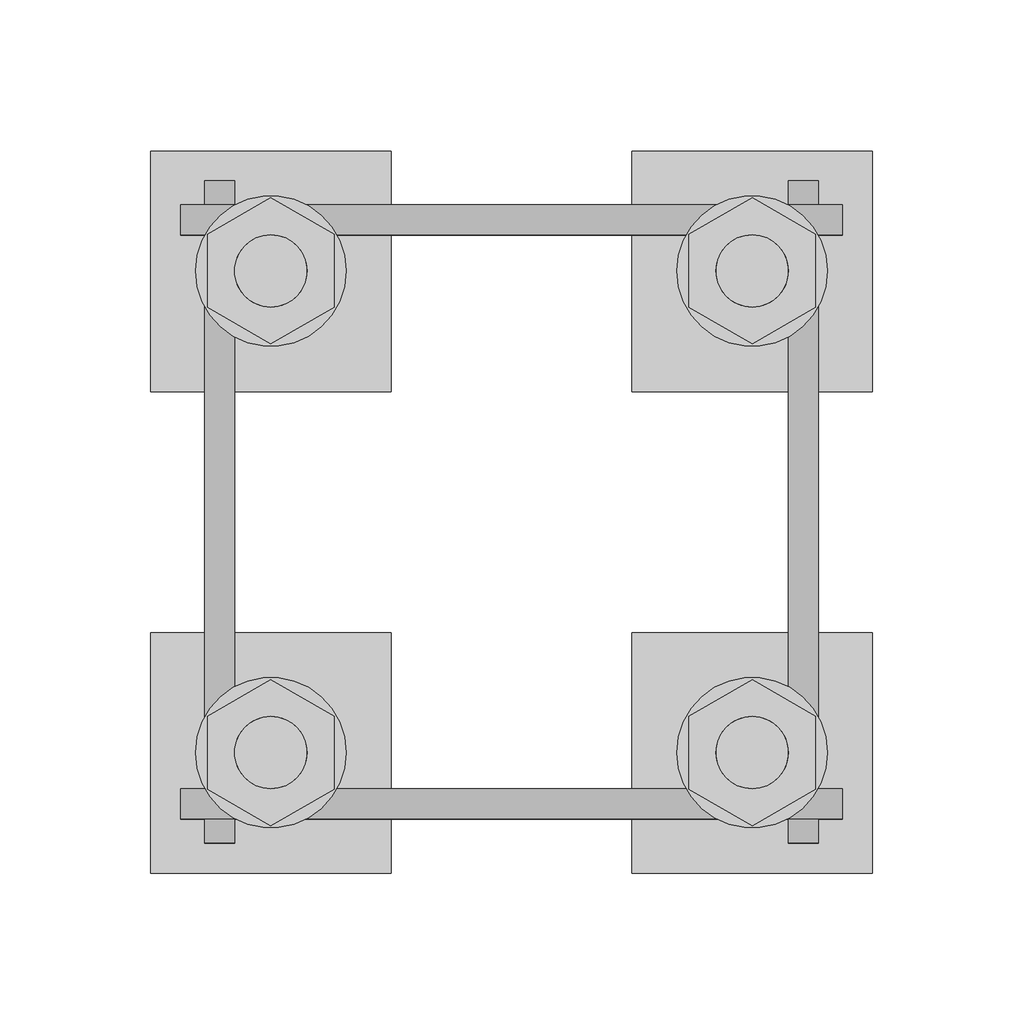
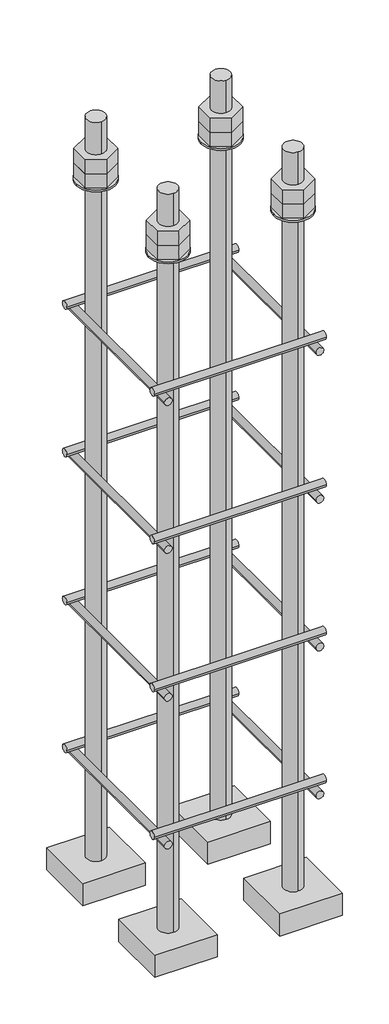
# One storey, part 3 of 66: 1 fastener.
"""IFC4 building model written with IfcOpenShell, lengths in millimetres."""

import ifcopenshell
import ifcopenshell.guid

model = None  # the IFC model being written
_history = None  # IfcOwnerHistory: only IFC2X3 demands one
_inside = {}  # id of a spatial element -> (the spatial element, [elements in it])
_under = {}  # id of a project, library or spatial element -> (it, [spatial elements below it])
_declared = {}  # id of a project -> (the project, [libraries it declares])
_typed = {}  # id of a type object -> (the type object, [elements of that type])
_made_of = {}  # id of a material, layer set ... -> (it, [elements and type objects made of it])


def new_model(schema):
    """Start an empty IFC model of exactly this schema.

    Asked for "IFC4X3", IfcOpenShell would pick the latest addendum, in which some entities
    have other attributes; the version numbers below select the first issue.
    IFC2X3 requires an IfcOwnerHistory on every rooted entity: one is made here for all.
    """
    global model, _history
    if schema == "IFC4X3":
        model = ifcopenshell.file(schema_version=(4, 3, 0, 0))
    else:
        model = ifcopenshell.file(schema=schema)
    _inside.clear()
    _under.clear()
    _declared.clear()
    _typed.clear()
    _made_of.clear()
    _history = None
    if model.schema == "IFC2X3":
        org = make("IfcOrganization", Name="unknown")
        user = make(
            "IfcPersonAndOrganization",
            ThePerson=make("IfcPerson", FamilyName="unknown"),
            TheOrganization=org,
        )
        app = make(
            "IfcApplication",
            ApplicationDeveloper=org,
            Version="unknown",
            ApplicationFullName="unknown",
            ApplicationIdentifier="unknown",
        )
        _history = make(
            "IfcOwnerHistory",
            OwningUser=user,
            OwningApplication=app,
            ChangeAction="ADDED",
            CreationDate=0,
        )
    return model


def make(cls, **values):
    """One entity of the class cls with the attributes given. An attribute that is None is left unset."""
    return model.create_entity(
        cls, **{name: value for name, value in values.items() if value is not None}
    )


def rooted(cls, **values):
    """An entity with a GlobalId (a new one), such as an element, a storey or a relation."""
    return make(cls, GlobalId=ifcopenshell.guid.new(), OwnerHistory=_history, **values)


def si_unit(unit_type, name, prefix=None):
    """IfcSIUnit, for example si_unit("LENGTHUNIT", "METRE", prefix="MILLI")."""
    return make("IfcSIUnit", UnitType=unit_type, Prefix=prefix, Name=name)


def assignment(units):
    """IfcUnitAssignment: the units of a project."""
    return None if units is None else make("IfcUnitAssignment", Units=units)


def point(xyz):
    """IfcCartesianPoint."""
    return None if xyz is None else make("IfcCartesianPoint", Coordinates=xyz)


def direction(xyz):
    """IfcDirection."""
    return None if xyz is None else make("IfcDirection", DirectionRatios=xyz)


def frame(location, z_axis=None, x_axis=None):
    """IfcAxis2Placement3D, a coordinate frame: its origin and axes. An axis left out is left unset."""
    return make(
        "IfcAxis2Placement3D",
        Location=point(location),
        Axis=direction(z_axis),
        RefDirection=direction(x_axis),
    )


def frame_2d(location, x_axis=None):
    """IfcAxis2Placement2D, a coordinate frame in the plane: its origin and x axis."""
    return make(
        "IfcAxis2Placement2D", Location=point(location), RefDirection=direction(x_axis)
    )


def origin():
    """The frame at (0, 0, 0) with its axes left unset."""
    return frame((0.0, 0.0, 0.0))


def place(relative_to, where):
    """IfcLocalPlacement: puts the frame where relative to a parent placement (None: the world)."""
    return make(
        "IfcLocalPlacement", PlacementRelTo=relative_to, RelativePlacement=where
    )


def context(
    kind, dimensions, precision=None, world=None, true_north=None, identifier=None
):
    """IfcGeometricRepresentationContext, for example the 3D "Model" context."""
    return make(
        "IfcGeometricRepresentationContext",
        ContextIdentifier=identifier,
        ContextType=kind,
        CoordinateSpaceDimension=dimensions,
        Precision=precision,
        WorldCoordinateSystem=world,
        TrueNorth=true_north,
    )


def project(units=None, contexts=None):
    """IfcProject with its units and contexts."""
    return rooted(
        "IfcProject",
        Name="project",
        RepresentationContexts=contexts,
        UnitsInContext=assignment(units),
    )


def spatial(cls, under=None, at=None, **own):
    """A site, building, storey or space (cls), placed at a placement, below another one or the project."""
    s = rooted(cls, ObjectPlacement=at, **own)
    if under is not None:
        _under.setdefault(under.id(), (under, []))[1].append(s)
    return s


def polyline(points):
    """IfcPolyline through the points."""
    return make("IfcPolyline", Points=[point(p) for p in points])


def circle_curve(where, radius):
    """IfcCircle in the frame where."""
    return make("IfcCircle", Position=where, Radius=radius)


def trimmed(basis, trim1, trim2, sense, master):
    """IfcTrimmedCurve: the piece of a basis curve between two trims."""
    return make(
        "IfcTrimmedCurve",
        BasisCurve=basis,
        Trim1=trim1,
        Trim2=trim2,
        SenseAgreement=sense,
        MasterRepresentation=master,
    )


def segment(curve, same_sense, transition):
    """IfcCompositeCurveSegment."""
    return make(
        "IfcCompositeCurveSegment",
        Transition=transition,
        SameSense=same_sense,
        ParentCurve=curve,
    )


def composite_curve(segments, self_intersect=None):
    """IfcCompositeCurve: segments joined end to end."""
    return make("IfcCompositeCurve", Segments=segments, SelfIntersect=self_intersect)


def outline(outer, holes=None, kind="AREA"):
    """IfcArbitraryClosedProfileDef: a profile drawn as a closed curve; with holes, ...WithVoids."""
    if holes is None:
        return make("IfcArbitraryClosedProfileDef", ProfileType=kind, OuterCurve=outer)
    return make(
        "IfcArbitraryProfileDefWithVoids",
        ProfileType=kind,
        OuterCurve=outer,
        InnerCurves=holes,
    )


def extrude(swept, where, along, depth):
    """IfcExtrudedAreaSolid: the profile swept, set in the frame where, extruded along a direction by depth."""
    return make(
        "IfcExtrudedAreaSolid",
        SweptArea=swept,
        Position=where,
        ExtrudedDirection=direction(along),
        Depth=depth,
    )


def shape(context_of_items, identifier, shape_type, items):
    """IfcShapeRepresentation: the items that make up one representation, for example the "Body"."""
    return make(
        "IfcShapeRepresentation",
        ContextOfItems=context_of_items,
        RepresentationIdentifier=identifier,
        RepresentationType=shape_type,
        Items=items,
    )


def made_of(thing, what):
    """Note that an element or type object is made of a material, layer set ...; save() writes the relation."""
    if what is not None:
        _made_of.setdefault(what.id(), (what, []))[1].append(thing)
    return thing


def element(
    cls,
    number,
    at=None,
    inside=None,
    cuts=None,
    type_object=None,
    material=None,
    context=None,
    identifier="Body",
    shape_type=None,
    held_by="IfcProductDefinitionShape",
    body=None,
    shapes=None,
    **own,
):
    """One element of the class cls, such as IfcWall. Its Tag is "e" and its number.

    at: its placement. inside: the storey or other place that contains it. cuts: it is an
    opening in that element (IfcRelVoidsElement). A single representation is given by context,
    identifier, shape_type and body (its items); several are given by shapes. held_by: the class
    of the entity that holds the representations. save() writes the other relations.
    """
    e = rooted(cls, Tag="e%d" % number, ObjectPlacement=at, **own)
    if body is not None:
        shapes = [shape(context, identifier, shape_type, body)]
    if shapes is not None:
        e.Representation = make(held_by, Representations=shapes)
    if inside is not None:
        _inside.setdefault(inside.id(), (inside, []))[1].append(e)
    if cuts is not None:
        rooted(
            "IfcRelVoidsElement", RelatingBuildingElement=cuts, RelatedOpeningElement=e
        )
    if type_object is not None:
        _typed.setdefault(type_object.id(), (type_object, []))[1].append(e)
    return made_of(e, material)


def aggregate(whole, parts):
    """IfcRelAggregates: a whole, such as a stair, and the parts it consists of."""
    return rooted("IfcRelAggregates", RelatingObject=whole, RelatedObjects=parts)


def save(model, path):
    """Write the relations noted so far, then the file.

    IfcRelAggregates (storeys below a building ...), IfcRelContainedInSpatialStructure (elements
    in a storey), IfcRelDefinesByType, IfcRelAssociatesMaterial and IfcRelDeclares: one each for
    every whole, place, type object, material and project.
    """
    for whole, parts in _under.values():
        aggregate(whole, parts)
    for where, things in _inside.values():
        rooted(
            "IfcRelContainedInSpatialStructure",
            RelatedElements=things,
            RelatingStructure=where,
        )
    for kind, things in _typed.values():
        rooted("IfcRelDefinesByType", RelatedObjects=things, RelatingType=kind)
    for what, things in _made_of.values():
        rooted("IfcRelAssociatesMaterial", RelatedObjects=things, RelatingMaterial=what)
    for by, libraries in _declared.values():
        rooted("IfcRelDeclares", RelatingContext=by, RelatedDefinitions=libraries)
    model.write(path)


def plane_surface(at):
    """IfcPlane: the flat surface through the origin of the frame at, square to its z axis."""
    return make("IfcPlane", Position=at)


def cylinder_surface(at, radius):
    """IfcCylindricalSurface: all points at the distance radius from the z axis of the frame at."""
    return make("IfcCylindricalSurface", Position=at, Radius=radius)


def advanced_brep(points, edges, surfaces, faces):
    """IfcAdvancedBrep: a solid bounded by faces that lie on surfaces and meet in shared edges.

    An edge is (start, end): straight between two places in points (the first is 0);
    or (start, end, curve); or (start, end, curve, False) where it runs against its curve.
    A face is (place in surfaces, loops), or (place, loops, False) where it looks against
    its surface's normal. A loop lists edges by number (the first is 1), with a minus sign
    where the edge is run from its end to its start. The first loop is the outer one.
    """
    corners = [point(p) for p in points]
    vertices = [make("IfcVertexPoint", VertexGeometry=c) for c in corners]
    made = []
    for start, end, *more in edges:
        made.append(
            make(
                "IfcEdgeCurve",
                EdgeStart=vertices[start],
                EdgeEnd=vertices[end],
                EdgeGeometry=more[0] if more else make("IfcPolyline", Points=[corners[start], corners[end]]),
                SameSense=more[1] if len(more) > 1 else True,
            )
        )
    hull = []
    for where, loops, *sense in faces:
        bounds = []
        for j, loop in enumerate(loops):
            ring = [make("IfcOrientedEdge", EdgeElement=made[abs(k) - 1], Orientation=k > 0) for k in loop]
            bounds.append(
                make(
                    "IfcFaceOuterBound" if j == 0 else "IfcFaceBound",
                    Bound=make("IfcEdgeLoop", EdgeList=ring),
                    Orientation=True,
                )
            )
        hull.append(make("IfcAdvancedFace", Bounds=bounds, FaceSurface=surfaces[where], SameSense=sense[0] if sense else True))
    return make("IfcAdvancedBrep", Outer=make("IfcClosedShell", CfsFaces=hull))


model = new_model("IFC4")

# Units and contexts
model_context = context("Model", 3, world=origin())
ifc_project = project(units=[si_unit("LENGTHUNIT", "METRE", prefix="MILLI")], contexts=[model_context])

# Site, building, storey
site = spatial("IfcSite", under=ifc_project)
building = spatial("IfcBuilding", under=site)
storey = spatial("IfcBuildingStorey", under=building, Elevation=9070.0)

# Fastener
placement = place(None, origin())
element("IfcFastener", 1, ObjectType="AU1 : AU-01", at=placement, inside=storey, context=model_context, shape_type="SolidModel", body=[
    extrude(outline(composite_curve([segment(trimmed(circle_curve(frame_2d((11343.0, 8595.0)), 5.0), [point((11338.0, 8595.0))], [point((11348.0, 8595.0))], False, "CARTESIAN"), True, "CONTINUOUS"), segment(trimmed(circle_curve(frame_2d((11343.0, 8595.0)), 5.0), [point((11348.0, 8595.0))], [point((11338.0, 8595.0))], False, "CARTESIAN"), True, "CONTINUOUS")], self_intersect=False)), frame((17040.0, 0.0, 0.0), z_axis=(1.0, 0.0, 0.0), x_axis=(0.0, 1.0, 0.0)), (0.0, 0.0, 1.0), 220.0),
    extrude(outline(composite_curve([segment(trimmed(circle_curve(frame_2d((11537.0, 8595.0)), 5.0), [point((11542.0, 8595.0))], [point((11532.0, 8595.0))], False, "CARTESIAN"), True, "CONTINUOUS"), segment(trimmed(circle_curve(frame_2d((11537.0, 8595.0)), 5.0), [point((11532.0, 8595.0))], [point((11542.0, 8595.0))], False, "CARTESIAN"), True, "CONTINUOUS")], self_intersect=False)), frame((17040.0, 0.0, 0.0), z_axis=(1.0, 0.0, 0.0), x_axis=(0.0, 1.0, 0.0)), (0.0, 0.0, 1.0), 220.0),
    extrude(outline(composite_curve([segment(trimmed(circle_curve(frame_2d((8585.0, 17053.0)), 5.0), [point((8585.0, 17048.0))], [point((8585.0, 17058.0))], False, "CARTESIAN"), True, "CONTINUOUS"), segment(trimmed(circle_curve(frame_2d((8585.0, 17053.0)), 5.0), [point((8585.0, 17058.0))], [point((8585.0, 17048.0))], False, "CARTESIAN"), True, "CONTINUOUS")], self_intersect=False)), frame((0.0, 11330.0, 0.0), z_axis=(0.0, 1.0, 0.0), x_axis=(0.0, 0.0, 1.0)), (0.0, 0.0, 1.0), 220.0),
    extrude(outline(composite_curve([segment(trimmed(circle_curve(frame_2d((8585.0, 17247.0)), 5.0), [point((8585.0, 17252.0))], [point((8585.0, 17242.0))], False, "CARTESIAN"), True, "CONTINUOUS"), segment(trimmed(circle_curve(frame_2d((8585.0, 17247.0)), 5.0), [point((8585.0, 17242.0))], [point((8585.0, 17252.0))], False, "CARTESIAN"), True, "CONTINUOUS")], self_intersect=False)), frame((0.0, 11330.0, 0.0), z_axis=(0.0, 1.0, 0.0), x_axis=(0.0, 0.0, 1.0)), (0.0, 0.0, 1.0), 220.0),
    extrude(outline(composite_curve([segment(trimmed(circle_curve(frame_2d((11343.0, 8795.0)), 5.0), [point((11338.0, 8795.0))], [point((11348.0, 8795.0))], False, "CARTESIAN"), True, "CONTINUOUS"), segment(trimmed(circle_curve(frame_2d((11343.0, 8795.0)), 5.0), [point((11348.0, 8795.0))], [point((11338.0, 8795.0))], False, "CARTESIAN"), True, "CONTINUOUS")], self_intersect=False)), frame((17040.0, 0.0, 0.0), z_axis=(1.0, 0.0, 0.0), x_axis=(0.0, 1.0, 0.0)), (0.0, 0.0, 1.0), 220.0),
    extrude(outline(composite_curve([segment(trimmed(circle_curve(frame_2d((11537.0, 8795.0)), 5.0), [point((11542.0, 8795.0))], [point((11532.0, 8795.0))], False, "CARTESIAN"), True, "CONTINUOUS"), segment(trimmed(circle_curve(frame_2d((11537.0, 8795.0)), 5.0), [point((11532.0, 8795.0))], [point((11542.0, 8795.0))], False, "CARTESIAN"), True, "CONTINUOUS")], self_intersect=False)), frame((17040.0, 0.0, 0.0), z_axis=(1.0, 0.0, 0.0), x_axis=(0.0, 1.0, 0.0)), (0.0, 0.0, 1.0), 220.0),
    extrude(outline(composite_curve([segment(trimmed(circle_curve(frame_2d((8785.0, 17053.0)), 5.0), [point((8785.0, 17048.0))], [point((8785.0, 17058.0))], False, "CARTESIAN"), True, "CONTINUOUS"), segment(trimmed(circle_curve(frame_2d((8785.0, 17053.0)), 5.0), [point((8785.0, 17058.0))], [point((8785.0, 17048.0))], False, "CARTESIAN"), True, "CONTINUOUS")], self_intersect=False)), frame((0.0, 11330.0, 0.0), z_axis=(0.0, 1.0, 0.0), x_axis=(0.0, 0.0, 1.0)), (0.0, 0.0, 1.0), 220.0),
    extrude(outline(composite_curve([segment(trimmed(circle_curve(frame_2d((8785.0, 17247.0)), 5.0), [point((8785.0, 17252.0))], [point((8785.0, 17242.0))], False, "CARTESIAN"), True, "CONTINUOUS"), segment(trimmed(circle_curve(frame_2d((8785.0, 17247.0)), 5.0), [point((8785.0, 17242.0))], [point((8785.0, 17252.0))], False, "CARTESIAN"), True, "CONTINUOUS")], self_intersect=False)), frame((0.0, 11330.0, 0.0), z_axis=(0.0, 1.0, 0.0), x_axis=(0.0, 0.0, 1.0)), (0.0, 0.0, 1.0), 220.0),
    extrude(outline(composite_curve([segment(trimmed(circle_curve(frame_2d((11343.0, 8995.0)), 5.0), [point((11338.0, 8995.0))], [point((11348.0, 8995.0))], False, "CARTESIAN"), True, "CONTINUOUS"), segment(trimmed(circle_curve(frame_2d((11343.0, 8995.0)), 5.0), [point((11348.0, 8995.0))], [point((11338.0, 8995.0))], False, "CARTESIAN"), True, "CONTINUOUS")], self_intersect=False)), frame((17040.0, 0.0, 0.0), z_axis=(1.0, 0.0, 0.0), x_axis=(0.0, 1.0, 0.0)), (0.0, 0.0, 1.0), 220.0),
    extrude(outline(composite_curve([segment(trimmed(circle_curve(frame_2d((11537.0, 8995.0)), 5.0), [point((11542.0, 8995.0))], [point((11532.0, 8995.0))], False, "CARTESIAN"), True, "CONTINUOUS"), segment(trimmed(circle_curve(frame_2d((11537.0, 8995.0)), 5.0), [point((11532.0, 8995.0))], [point((11542.0, 8995.0))], False, "CARTESIAN"), True, "CONTINUOUS")], self_intersect=False)), frame((17040.0, 0.0, 0.0), z_axis=(1.0, 0.0, 0.0), x_axis=(0.0, 1.0, 0.0)), (0.0, 0.0, 1.0), 220.0),
    extrude(outline(composite_curve([segment(trimmed(circle_curve(frame_2d((8985.0, 17053.0)), 5.0), [point((8985.0, 17048.0))], [point((8985.0, 17058.0))], False, "CARTESIAN"), True, "CONTINUOUS"), segment(trimmed(circle_curve(frame_2d((8985.0, 17053.0)), 5.0), [point((8985.0, 17058.0))], [point((8985.0, 17048.0))], False, "CARTESIAN"), True, "CONTINUOUS")], self_intersect=False)), frame((0.0, 11330.0, 0.0), z_axis=(0.0, 1.0, 0.0), x_axis=(0.0, 0.0, 1.0)), (0.0, 0.0, 1.0), 220.0),
    extrude(outline(composite_curve([segment(trimmed(circle_curve(frame_2d((8985.0, 17247.0)), 5.0), [point((8985.0, 17252.0))], [point((8985.0, 17242.0))], False, "CARTESIAN"), True, "CONTINUOUS"), segment(trimmed(circle_curve(frame_2d((8985.0, 17247.0)), 5.0), [point((8985.0, 17242.0))], [point((8985.0, 17252.0))], False, "CARTESIAN"), True, "CONTINUOUS")], self_intersect=False)), frame((0.0, 11330.0, 0.0), z_axis=(0.0, 1.0, 0.0), x_axis=(0.0, 0.0, 1.0)), (0.0, 0.0, 1.0), 220.0),
    extrude(outline(composite_curve([segment(trimmed(circle_curve(frame_2d((11343.0, 9195.0)), 5.0), [point((11338.0, 9195.0))], [point((11348.0, 9195.0))], False, "CARTESIAN"), True, "CONTINUOUS"), segment(trimmed(circle_curve(frame_2d((11343.0, 9195.0)), 5.0), [point((11348.0, 9195.0))], [point((11338.0, 9195.0))], False, "CARTESIAN"), True, "CONTINUOUS")], self_intersect=False)), frame((17040.0, 0.0, 0.0), z_axis=(1.0, 0.0, 0.0), x_axis=(0.0, 1.0, 0.0)), (0.0, 0.0, 1.0), 220.0),
    extrude(outline(composite_curve([segment(trimmed(circle_curve(frame_2d((11537.0, 9195.0)), 5.0), [point((11542.0, 9195.0))], [point((11532.0, 9195.0))], False, "CARTESIAN"), True, "CONTINUOUS"), segment(trimmed(circle_curve(frame_2d((11537.0, 9195.0)), 5.0), [point((11532.0, 9195.0))], [point((11542.0, 9195.0))], False, "CARTESIAN"), True, "CONTINUOUS")], self_intersect=False)), frame((17040.0, 0.0, 0.0), z_axis=(1.0, 0.0, 0.0), x_axis=(0.0, 1.0, 0.0)), (0.0, 0.0, 1.0), 220.0),
    extrude(outline(composite_curve([segment(trimmed(circle_curve(frame_2d((9185.0, 17053.0)), 5.0), [point((9185.0, 17048.0))], [point((9185.0, 17058.0))], False, "CARTESIAN"), True, "CONTINUOUS"), segment(trimmed(circle_curve(frame_2d((9185.0, 17053.0)), 5.0), [point((9185.0, 17058.0))], [point((9185.0, 17048.0))], False, "CARTESIAN"), True, "CONTINUOUS")], self_intersect=False)), frame((0.0, 11330.0, 0.0), z_axis=(0.0, 1.0, 0.0), x_axis=(0.0, 0.0, 1.0)), (0.0, 0.0, 1.0), 220.0),
    extrude(outline(composite_curve([segment(trimmed(circle_curve(frame_2d((9185.0, 17247.0)), 5.0), [point((9185.0, 17252.0))], [point((9185.0, 17242.0))], False, "CARTESIAN"), True, "CONTINUOUS"), segment(trimmed(circle_curve(frame_2d((9185.0, 17247.0)), 5.0), [point((9185.0, 17242.0))], [point((9185.0, 17252.0))], False, "CARTESIAN"), True, "CONTINUOUS")], self_intersect=False)), frame((0.0, 11330.0, 0.0), z_axis=(0.0, 1.0, 0.0), x_axis=(0.0, 0.0, 1.0)), (0.0, 0.0, 1.0), 220.0),
    advanced_brep(
    [(17110.0, 11560.0, 8450.0), (17030.0, 11560.0, 8450.0), (17030.0, 11480.0, 8450.0), (17110.0, 11480.0, 8450.0), (17070.0, 11508.0, 8450.0), (17070.0, 11532.0, 8450.0), (17110.0, 11560.0, 8420.0), (17110.0, 11480.0, 8420.0), (17030.0, 11480.0, 8420.0), (17030.0, 11560.0, 8420.0), (17070.0, 11532.0, 9450.0), (17070.0, 11508.0, 9450.0)],
    [
        (0, 1),
        (1, 2),
        (2, 3),
        (3, 0),
        (4, 5, circle_curve(frame((17070.0, 11520.0, 8450.0), z_axis=(0.0, 0.0, -1.0), x_axis=(0.0, -1.0, 0.0)), 12.0)),
        (5, 4, circle_curve(frame((17070.0, 11520.0, 8450.0), z_axis=(0.0, 0.0, -1.0), x_axis=(0.0, -1.0, 0.0)), 12.0)),
        (6, 7),
        (7, 8),
        (8, 9),
        (9, 6),
        (0, 6),
        (9, 1),
        (8, 2),
        (7, 3),
        (10, 11, circle_curve(frame((17070.0, 11520.0, 9450.0), z_axis=(0.0, 0.0, 1.0), x_axis=(0.0, -1.0, 0.0)), 12.0)),
        (11, 10, circle_curve(frame((17070.0, 11520.0, 9450.0), z_axis=(0.0, 0.0, 1.0), x_axis=(0.0, -1.0, 0.0)), 12.0)),
        (10, 5),
        (4, 11),
    ],
    [
        plane_surface(frame((17030.0, 11560.0, 8450.0), z_axis=(0.0, 0.0, 1.0), x_axis=(-1.0, 0.0, 0.0))),
        plane_surface(frame((17030.0, 11560.0, 8420.0), z_axis=(0.0, 0.0, -1.0), x_axis=(1.0, 0.0, 0.0))),
        plane_surface(frame((17110.0, 11560.0, 8450.0), z_axis=(0.0, 1.0, 0.0), x_axis=(0.0, 0.0, -1.0))),
        plane_surface(frame((17030.0, 11560.0, 8450.0), z_axis=(-1.0, 0.0, 0.0), x_axis=(0.0, 0.0, -1.0))),
        plane_surface(frame((17030.0, 11480.0, 8450.0), z_axis=(0.0, -1.0, 0.0), x_axis=(0.0, 0.0, -1.0))),
        plane_surface(frame((17110.0, 11480.0, 8450.0), z_axis=(1.0, 0.0, 0.0), x_axis=(0.0, 0.0, -1.0))),
        plane_surface(frame((17070.0, 11520.0, 9450.0), z_axis=(0.0, 0.0, 1.0), x_axis=(0.0, -1.0, 0.0))),
        cylinder_surface(frame((17070.0, 11520.0, 9450.0), z_axis=(0.0, 0.0, 1.0), x_axis=(0.0, -1.0, 0.0)), 12.0),
    ],
    [
        (0, [[1, 2, 3, 4], [5, 6]]),
        (1, [[7, 8, 9, 10]]),
        (2, [[-1, 11, -10, 12]]),
        (3, [[-2, -12, -9, 13]]),
        (4, [[-3, -13, -8, 14]]),
        (5, [[-4, -14, -7, -11]]),
        (6, [[15, 16]]),
        (7, [[-15, 17, -5, 18]]),
        (7, [[-16, -18, -6, -17]]),
    ],
),
    extrude(outline(composite_curve([segment(trimmed(circle_curve(frame_2d((17070.0, 11520.0)), 25.0), [point((17095.0, 11520.0))], [point((17045.0, 11520.0))], False, "CARTESIAN"), True, "CONTINUOUS"), segment(trimmed(circle_curve(frame_2d((17070.0, 11520.0)), 25.0), [point((17045.0, 11520.0))], [point((17095.0, 11520.0))], False, "CARTESIAN"), True, "CONTINUOUS")], self_intersect=False), holes=[composite_curve([segment(trimmed(circle_curve(frame_2d((17070.0, 11520.0)), 12.0), [point((17082.0, 11520.0))], [point((17058.0, 11520.0))], True, "CARTESIAN"), True, "CONTINUOUS"), segment(trimmed(circle_curve(frame_2d((17070.0, 11520.0)), 12.0), [point((17058.0, 11520.0))], [point((17082.0, 11520.0))], True, "CARTESIAN"), True, "CONTINUOUS")], self_intersect=False)]), frame((0.0, 0.0, 9365.0), z_axis=(0.0, 0.0, 1.0), x_axis=(1.0, 0.0, 0.0)), (0.0, 0.0, 1.0), 2.5),
    extrude(outline(polyline([(17070.0, 11544.2487113), (17091.0, 11532.1243557), (17091.0, 11507.8756443), (17070.0, 11495.7512887), (17049.0, 11507.8756443), (17049.0, 11532.1243557), (17070.0, 11544.2487113)]), holes=[composite_curve([segment(trimmed(circle_curve(frame_2d((17070.0, 11520.0)), 12.0), [point((17082.0, 11520.0))], [point((17058.0, 11520.0))], True, "CARTESIAN"), True, "CONTINUOUS"), segment(trimmed(circle_curve(frame_2d((17070.0, 11520.0)), 12.0), [point((17058.0, 11520.0))], [point((17082.0, 11520.0))], True, "CARTESIAN"), True, "CONTINUOUS")], self_intersect=False)]), frame((0.0, 0.0, 9387.0), z_axis=(0.0, 0.0, 1.0), x_axis=(1.0, 0.0, 0.0)), (0.0, 0.0, 1.0), 19.5),
    extrude(outline(polyline([(17070.0, 11544.2487113), (17091.0, 11532.1243557), (17091.0, 11507.8756443), (17070.0, 11495.7512887), (17049.0, 11507.8756443), (17049.0, 11532.1243557), (17070.0, 11544.2487113)]), holes=[composite_curve([segment(trimmed(circle_curve(frame_2d((17070.0, 11520.0)), 12.0), [point((17082.0, 11520.0))], [point((17058.0, 11520.0))], True, "CARTESIAN"), True, "CONTINUOUS"), segment(trimmed(circle_curve(frame_2d((17070.0, 11520.0)), 12.0), [point((17058.0, 11520.0))], [point((17082.0, 11520.0))], True, "CARTESIAN"), True, "CONTINUOUS")], self_intersect=False)]), frame((0.0, 0.0, 9367.5), z_axis=(0.0, 0.0, 1.0), x_axis=(1.0, 0.0, 0.0)), (0.0, 0.0, 1.0), 19.5),
    advanced_brep(
    [(17190.0, 11480.0, 8450.0), (17270.0, 11480.0, 8450.0), (17270.0, 11560.0, 8450.0), (17190.0, 11560.0, 8450.0), (17230.0, 11532.0, 8450.0), (17230.0, 11508.0, 8450.0), (17190.0, 11480.0, 8420.0), (17190.0, 11560.0, 8420.0), (17270.0, 11560.0, 8420.0), (17270.0, 11480.0, 8420.0), (17230.0, 11508.0, 9450.0), (17230.0, 11532.0, 9450.0)],
    [
        (0, 1),
        (1, 2),
        (2, 3),
        (3, 0),
        (4, 5, circle_curve(frame((17230.0, 11520.0, 8450.0), z_axis=(0.0, 0.0, -1.0), x_axis=(0.0, 1.0, 0.0)), 12.0)),
        (5, 4, circle_curve(frame((17230.0, 11520.0, 8450.0), z_axis=(0.0, 0.0, -1.0), x_axis=(0.0, 1.0, 0.0)), 12.0)),
        (6, 7),
        (7, 8),
        (8, 9),
        (9, 6),
        (0, 6),
        (9, 1),
        (8, 2),
        (7, 3),
        (10, 11, circle_curve(frame((17230.0, 11520.0, 9450.0), z_axis=(0.0, 0.0, 1.0), x_axis=(0.0, 1.0, 0.0)), 12.0)),
        (11, 10, circle_curve(frame((17230.0, 11520.0, 9450.0), z_axis=(0.0, 0.0, 1.0), x_axis=(0.0, 1.0, 0.0)), 12.0)),
        (10, 5),
        (4, 11),
    ],
    [
        plane_surface(frame((17270.0, 11480.0, 8450.0), z_axis=(0.0, 0.0, 1.0), x_axis=(1.0, 0.0, 0.0))),
        plane_surface(frame((17270.0, 11480.0, 8420.0), z_axis=(0.0, 0.0, -1.0), x_axis=(-1.0, 0.0, 0.0))),
        plane_surface(frame((17190.0, 11480.0, 8450.0), z_axis=(0.0, -1.0, 0.0), x_axis=(0.0, 0.0, -1.0))),
        plane_surface(frame((17270.0, 11480.0, 8450.0), z_axis=(1.0, 0.0, 0.0), x_axis=(0.0, 0.0, -1.0))),
        plane_surface(frame((17270.0, 11560.0, 8450.0), z_axis=(0.0, 1.0, 0.0), x_axis=(0.0, 0.0, -1.0))),
        plane_surface(frame((17190.0, 11560.0, 8450.0), z_axis=(-1.0, 0.0, 0.0), x_axis=(0.0, 0.0, -1.0))),
        plane_surface(frame((17230.0, 11520.0, 9450.0), z_axis=(0.0, 0.0, 1.0), x_axis=(0.0, 1.0, 0.0))),
        cylinder_surface(frame((17230.0, 11520.0, 9450.0), z_axis=(0.0, 0.0, 1.0), x_axis=(0.0, 1.0, 0.0)), 12.0),
    ],
    [
        (0, [[1, 2, 3, 4], [5, 6]]),
        (1, [[7, 8, 9, 10]]),
        (2, [[-1, 11, -10, 12]]),
        (3, [[-2, -12, -9, 13]]),
        (4, [[-3, -13, -8, 14]]),
        (5, [[-4, -14, -7, -11]]),
        (6, [[15, 16]]),
        (7, [[-15, 17, -5, 18]]),
        (7, [[-16, -18, -6, -17]]),
    ],
),
    extrude(outline(composite_curve([segment(trimmed(circle_curve(frame_2d((17230.0, 11520.0)), 25.0), [point((17205.0, 11520.0))], [point((17255.0, 11520.0))], False, "CARTESIAN"), True, "CONTINUOUS"), segment(trimmed(circle_curve(frame_2d((17230.0, 11520.0)), 25.0), [point((17255.0, 11520.0))], [point((17205.0, 11520.0))], False, "CARTESIAN"), True, "CONTINUOUS")], self_intersect=False), holes=[composite_curve([segment(trimmed(circle_curve(frame_2d((17230.0, 11520.0)), 12.0), [point((17218.0, 11520.0))], [point((17242.0, 11520.0))], True, "CARTESIAN"), True, "CONTINUOUS"), segment(trimmed(circle_curve(frame_2d((17230.0, 11520.0)), 12.0), [point((17242.0, 11520.0))], [point((17218.0, 11520.0))], True, "CARTESIAN"), True, "CONTINUOUS")], self_intersect=False)]), frame((0.0, 0.0, 9365.0), z_axis=(0.0, 0.0, 1.0), x_axis=(1.0, 0.0, 0.0)), (0.0, 0.0, 1.0), 2.5),
    extrude(outline(polyline([(17230.0, 11495.7512887), (17209.0, 11507.8756443), (17209.0, 11532.1243557), (17230.0, 11544.2487113), (17251.0, 11532.1243557), (17251.0, 11507.8756443), (17230.0, 11495.7512887)]), holes=[composite_curve([segment(trimmed(circle_curve(frame_2d((17230.0, 11520.0)), 12.0), [point((17218.0, 11520.0))], [point((17242.0, 11520.0))], True, "CARTESIAN"), True, "CONTINUOUS"), segment(trimmed(circle_curve(frame_2d((17230.0, 11520.0)), 12.0), [point((17242.0, 11520.0))], [point((17218.0, 11520.0))], True, "CARTESIAN"), True, "CONTINUOUS")], self_intersect=False)]), frame((0.0, 0.0, 9387.0), z_axis=(0.0, 0.0, 1.0), x_axis=(1.0, 0.0, 0.0)), (0.0, 0.0, 1.0), 19.5),
    extrude(outline(polyline([(17230.0, 11495.7512887), (17209.0, 11507.8756443), (17209.0, 11532.1243557), (17230.0, 11544.2487113), (17251.0, 11532.1243557), (17251.0, 11507.8756443), (17230.0, 11495.7512887)]), holes=[composite_curve([segment(trimmed(circle_curve(frame_2d((17230.0, 11520.0)), 12.0), [point((17218.0, 11520.0))], [point((17242.0, 11520.0))], True, "CARTESIAN"), True, "CONTINUOUS"), segment(trimmed(circle_curve(frame_2d((17230.0, 11520.0)), 12.0), [point((17242.0, 11520.0))], [point((17218.0, 11520.0))], True, "CARTESIAN"), True, "CONTINUOUS")], self_intersect=False)]), frame((0.0, 0.0, 9367.5), z_axis=(0.0, 0.0, 1.0), x_axis=(1.0, 0.0, 0.0)), (0.0, 0.0, 1.0), 19.5),
    advanced_brep(
    [(17190.0, 11320.0, 8450.0), (17270.0, 11320.0, 8450.0), (17270.0, 11400.0, 8450.0), (17190.0, 11400.0, 8450.0), (17230.0, 11372.0, 8450.0), (17230.0, 11348.0, 8450.0), (17190.0, 11320.0, 8420.0), (17190.0, 11400.0, 8420.0), (17270.0, 11400.0, 8420.0), (17270.0, 11320.0, 8420.0), (17230.0, 11348.0, 9450.0), (17230.0, 11372.0, 9450.0)],
    [
        (0, 1),
        (1, 2),
        (2, 3),
        (3, 0),
        (4, 5, circle_curve(frame((17230.0, 11360.0, 8450.0), z_axis=(0.0, 0.0, -1.0), x_axis=(0.0, 1.0, 0.0)), 12.0)),
        (5, 4, circle_curve(frame((17230.0, 11360.0, 8450.0), z_axis=(0.0, 0.0, -1.0), x_axis=(0.0, 1.0, 0.0)), 12.0)),
        (6, 7),
        (7, 8),
        (8, 9),
        (9, 6),
        (0, 6),
        (9, 1),
        (8, 2),
        (7, 3),
        (10, 11, circle_curve(frame((17230.0, 11360.0, 9450.0), z_axis=(0.0, 0.0, 1.0), x_axis=(0.0, 1.0, 0.0)), 12.0)),
        (11, 10, circle_curve(frame((17230.0, 11360.0, 9450.0), z_axis=(0.0, 0.0, 1.0), x_axis=(0.0, 1.0, 0.0)), 12.0)),
        (10, 5),
        (4, 11),
    ],
    [
        plane_surface(frame((17270.0, 11320.0, 8450.0), z_axis=(0.0, 0.0, 1.0), x_axis=(1.0, 0.0, 0.0))),
        plane_surface(frame((17270.0, 11320.0, 8420.0), z_axis=(0.0, 0.0, -1.0), x_axis=(-1.0, 0.0, 0.0))),
        plane_surface(frame((17190.0, 11320.0, 8450.0), z_axis=(0.0, -1.0, 0.0), x_axis=(0.0, 0.0, -1.0))),
        plane_surface(frame((17270.0, 11320.0, 8450.0), z_axis=(1.0, 0.0, 0.0), x_axis=(0.0, 0.0, -1.0))),
        plane_surface(frame((17270.0, 11400.0, 8450.0), z_axis=(0.0, 1.0, 0.0), x_axis=(0.0, 0.0, -1.0))),
        plane_surface(frame((17190.0, 11400.0, 8450.0), z_axis=(-1.0, 0.0, 0.0), x_axis=(0.0, 0.0, -1.0))),
        plane_surface(frame((17230.0, 11360.0, 9450.0), z_axis=(0.0, 0.0, 1.0), x_axis=(0.0, 1.0, 0.0))),
        cylinder_surface(frame((17230.0, 11360.0, 9450.0), z_axis=(0.0, 0.0, 1.0), x_axis=(0.0, 1.0, 0.0)), 12.0),
    ],
    [
        (0, [[1, 2, 3, 4], [5, 6]]),
        (1, [[7, 8, 9, 10]]),
        (2, [[-1, 11, -10, 12]]),
        (3, [[-2, -12, -9, 13]]),
        (4, [[-3, -13, -8, 14]]),
        (5, [[-4, -14, -7, -11]]),
        (6, [[15, 16]]),
        (7, [[-15, 17, -5, 18]]),
        (7, [[-16, -18, -6, -17]]),
    ],
),
    extrude(outline(composite_curve([segment(trimmed(circle_curve(frame_2d((17230.0, 11360.0)), 25.0), [point((17205.0, 11360.0))], [point((17255.0, 11360.0))], False, "CARTESIAN"), True, "CONTINUOUS"), segment(trimmed(circle_curve(frame_2d((17230.0, 11360.0)), 25.0), [point((17255.0, 11360.0))], [point((17205.0, 11360.0))], False, "CARTESIAN"), True, "CONTINUOUS")], self_intersect=False), holes=[composite_curve([segment(trimmed(circle_curve(frame_2d((17230.0, 11360.0)), 12.0), [point((17218.0, 11360.0))], [point((17242.0, 11360.0))], True, "CARTESIAN"), True, "CONTINUOUS"), segment(trimmed(circle_curve(frame_2d((17230.0, 11360.0)), 12.0), [point((17242.0, 11360.0))], [point((17218.0, 11360.0))], True, "CARTESIAN"), True, "CONTINUOUS")], self_intersect=False)]), frame((0.0, 0.0, 9365.0), z_axis=(0.0, 0.0, 1.0), x_axis=(1.0, 0.0, 0.0)), (0.0, 0.0, 1.0), 2.5),
    extrude(outline(polyline([(17230.0, 11335.7512887), (17209.0, 11347.8756443), (17209.0, 11372.1243557), (17230.0, 11384.2487113), (17251.0, 11372.1243557), (17251.0, 11347.8756443), (17230.0, 11335.7512887)]), holes=[composite_curve([segment(trimmed(circle_curve(frame_2d((17230.0, 11360.0)), 12.0), [point((17218.0, 11360.0))], [point((17242.0, 11360.0))], True, "CARTESIAN"), True, "CONTINUOUS"), segment(trimmed(circle_curve(frame_2d((17230.0, 11360.0)), 12.0), [point((17242.0, 11360.0))], [point((17218.0, 11360.0))], True, "CARTESIAN"), True, "CONTINUOUS")], self_intersect=False)]), frame((0.0, 0.0, 9387.0), z_axis=(0.0, 0.0, 1.0), x_axis=(1.0, 0.0, 0.0)), (0.0, 0.0, 1.0), 19.5),
    extrude(outline(polyline([(17230.0, 11335.7512887), (17209.0, 11347.8756443), (17209.0, 11372.1243557), (17230.0, 11384.2487113), (17251.0, 11372.1243557), (17251.0, 11347.8756443), (17230.0, 11335.7512887)]), holes=[composite_curve([segment(trimmed(circle_curve(frame_2d((17230.0, 11360.0)), 12.0), [point((17218.0, 11360.0))], [point((17242.0, 11360.0))], True, "CARTESIAN"), True, "CONTINUOUS"), segment(trimmed(circle_curve(frame_2d((17230.0, 11360.0)), 12.0), [point((17242.0, 11360.0))], [point((17218.0, 11360.0))], True, "CARTESIAN"), True, "CONTINUOUS")], self_intersect=False)]), frame((0.0, 0.0, 9367.5), z_axis=(0.0, 0.0, 1.0), x_axis=(1.0, 0.0, 0.0)), (0.0, 0.0, 1.0), 19.5),
    advanced_brep(
    [(17110.0, 11400.0, 8450.0), (17030.0, 11400.0, 8450.0), (17030.0, 11320.0, 8450.0), (17110.0, 11320.0, 8450.0), (17070.0, 11348.0, 8450.0), (17070.0, 11372.0, 8450.0), (17110.0, 11400.0, 8420.0), (17110.0, 11320.0, 8420.0), (17030.0, 11320.0, 8420.0), (17030.0, 11400.0, 8420.0), (17070.0, 11372.0, 9450.0), (17070.0, 11348.0, 9450.0)],
    [
        (0, 1),
        (1, 2),
        (2, 3),
        (3, 0),
        (4, 5, circle_curve(frame((17070.0, 11360.0, 8450.0), z_axis=(0.0, 0.0, -1.0), x_axis=(0.0, -1.0, 0.0)), 12.0)),
        (5, 4, circle_curve(frame((17070.0, 11360.0, 8450.0), z_axis=(0.0, 0.0, -1.0), x_axis=(0.0, -1.0, 0.0)), 12.0)),
        (6, 7),
        (7, 8),
        (8, 9),
        (9, 6),
        (0, 6),
        (9, 1),
        (8, 2),
        (7, 3),
        (10, 11, circle_curve(frame((17070.0, 11360.0, 9450.0), z_axis=(0.0, 0.0, 1.0), x_axis=(0.0, -1.0, 0.0)), 12.0)),
        (11, 10, circle_curve(frame((17070.0, 11360.0, 9450.0), z_axis=(0.0, 0.0, 1.0), x_axis=(0.0, -1.0, 0.0)), 12.0)),
        (10, 5),
        (4, 11),
    ],
    [
        plane_surface(frame((17030.0, 11400.0, 8450.0), z_axis=(0.0, 0.0, 1.0), x_axis=(-1.0, 0.0, 0.0))),
        plane_surface(frame((17030.0, 11400.0, 8420.0), z_axis=(0.0, 0.0, -1.0), x_axis=(1.0, 0.0, 0.0))),
        plane_surface(frame((17110.0, 11400.0, 8450.0), z_axis=(0.0, 1.0, 0.0), x_axis=(0.0, 0.0, -1.0))),
        plane_surface(frame((17030.0, 11400.0, 8450.0), z_axis=(-1.0, 0.0, 0.0), x_axis=(0.0, 0.0, -1.0))),
        plane_surface(frame((17030.0, 11320.0, 8450.0), z_axis=(0.0, -1.0, 0.0), x_axis=(0.0, 0.0, -1.0))),
        plane_surface(frame((17110.0, 11320.0, 8450.0), z_axis=(1.0, 0.0, 0.0), x_axis=(0.0, 0.0, -1.0))),
        plane_surface(frame((17070.0, 11360.0, 9450.0), z_axis=(0.0, 0.0, 1.0), x_axis=(0.0, -1.0, 0.0))),
        cylinder_surface(frame((17070.0, 11360.0, 9450.0), z_axis=(0.0, 0.0, 1.0), x_axis=(0.0, -1.0, 0.0)), 12.0),
    ],
    [
        (0, [[1, 2, 3, 4], [5, 6]]),
        (1, [[7, 8, 9, 10]]),
        (2, [[-1, 11, -10, 12]]),
        (3, [[-2, -12, -9, 13]]),
        (4, [[-3, -13, -8, 14]]),
        (5, [[-4, -14, -7, -11]]),
        (6, [[15, 16]]),
        (7, [[-15, 17, -5, 18]]),
        (7, [[-16, -18, -6, -17]]),
    ],
),
    extrude(outline(composite_curve([segment(trimmed(circle_curve(frame_2d((17070.0, 11360.0)), 25.0), [point((17095.0, 11360.0))], [point((17045.0, 11360.0))], False, "CARTESIAN"), True, "CONTINUOUS"), segment(trimmed(circle_curve(frame_2d((17070.0, 11360.0)), 25.0), [point((17045.0, 11360.0))], [point((17095.0, 11360.0))], False, "CARTESIAN"), True, "CONTINUOUS")], self_intersect=False), holes=[composite_curve([segment(trimmed(circle_curve(frame_2d((17070.0, 11360.0)), 12.0), [point((17082.0, 11360.0))], [point((17058.0, 11360.0))], True, "CARTESIAN"), True, "CONTINUOUS"), segment(trimmed(circle_curve(frame_2d((17070.0, 11360.0)), 12.0), [point((17058.0, 11360.0))], [point((17082.0, 11360.0))], True, "CARTESIAN"), True, "CONTINUOUS")], self_intersect=False)]), frame((0.0, 0.0, 9365.0), z_axis=(0.0, 0.0, 1.0), x_axis=(1.0, 0.0, 0.0)), (0.0, 0.0, 1.0), 2.5),
    extrude(outline(polyline([(17070.0, 11384.2487113), (17091.0, 11372.1243557), (17091.0, 11347.8756443), (17070.0, 11335.7512887), (17049.0, 11347.8756443), (17049.0, 11372.1243557), (17070.0, 11384.2487113)]), holes=[composite_curve([segment(trimmed(circle_curve(frame_2d((17070.0, 11360.0)), 12.0), [point((17082.0, 11360.0))], [point((17058.0, 11360.0))], True, "CARTESIAN"), True, "CONTINUOUS"), segment(trimmed(circle_curve(frame_2d((17070.0, 11360.0)), 12.0), [point((17058.0, 11360.0))], [point((17082.0, 11360.0))], True, "CARTESIAN"), True, "CONTINUOUS")], self_intersect=False)]), frame((0.0, 0.0, 9387.0), z_axis=(0.0, 0.0, 1.0), x_axis=(1.0, 0.0, 0.0)), (0.0, 0.0, 1.0), 19.5),
    extrude(outline(polyline([(17070.0, 11384.2487113), (17091.0, 11372.1243557), (17091.0, 11347.8756443), (17070.0, 11335.7512887), (17049.0, 11347.8756443), (17049.0, 11372.1243557), (17070.0, 11384.2487113)]), holes=[composite_curve([segment(trimmed(circle_curve(frame_2d((17070.0, 11360.0)), 12.0), [point((17082.0, 11360.0))], [point((17058.0, 11360.0))], True, "CARTESIAN"), True, "CONTINUOUS"), segment(trimmed(circle_curve(frame_2d((17070.0, 11360.0)), 12.0), [point((17058.0, 11360.0))], [point((17082.0, 11360.0))], True, "CARTESIAN"), True, "CONTINUOUS")], self_intersect=False)]), frame((0.0, 0.0, 9367.5), z_axis=(0.0, 0.0, 1.0), x_axis=(1.0, 0.0, 0.0)), (0.0, 0.0, 1.0), 19.5),
])

save(model, "model.ifc")
